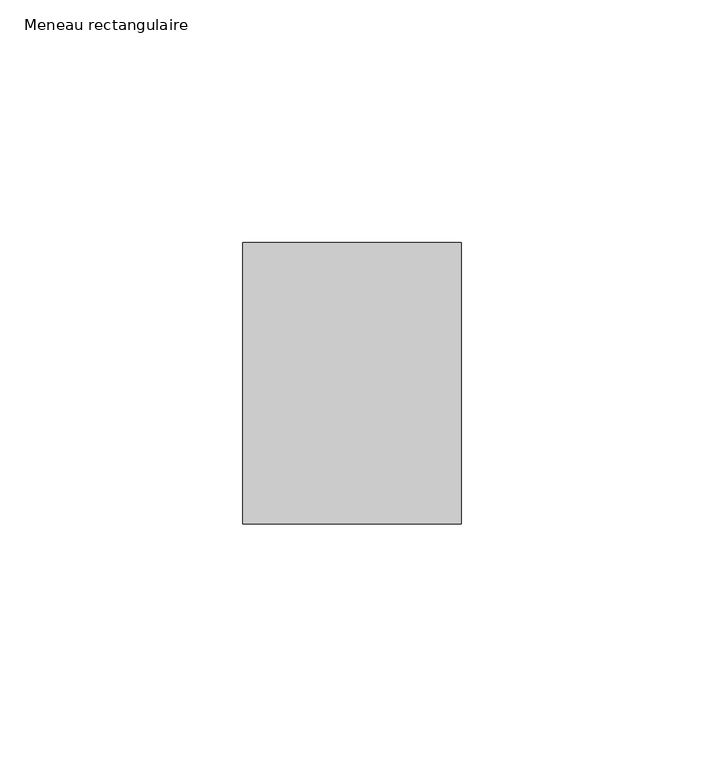
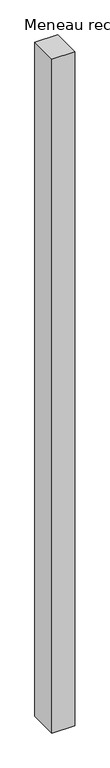
"""IFC4 building model written with IfcOpenShell, lengths in millimetres: member geometry, Meneau rectangulaire."""

from ifc_helpers import new_model, si_unit, frame, origin, place, context, project, spatial, polyline, outline, extrude, source, transform, mapped, element, save


def meneau_rectangulaire_f144ae1f(model_context):
    return source(origin(), model_context, "Body", "SweptSolid", [
        extrude(outline(polyline([(0.0, 29.0), (0.0, -29.0), (-45.0, -29.0), (-45.0, 29.0), (0.0, 29.0)])), frame((0.0, 0.0, -1400.2500002), z_axis=(0.0, 0.0, 1.0), x_axis=(1.0, 0.0, 0.0)), (0.0, 0.0, 1.0), 1400.2500002),
    ])


if __name__ == "__main__":
    model = new_model("IFC4")
    model_context = context("Model", 3, world=origin())
    ifc_project = project(units=[si_unit("LENGTHUNIT", "METRE", prefix="MILLI")], contexts=[model_context])
    site = spatial("IfcSite", under=ifc_project)
    building = spatial("IfcBuilding", under=site)
    placement = place(None, origin())
    meneau_rectangulaire_shape = meneau_rectangulaire_f144ae1f(model_context)
    element("IfcMember", 1, ObjectType="Meneau rectangulaire", at=placement, inside=building, context=model_context, shape_type="MappedRepresentation", body=[
        mapped(meneau_rectangulaire_shape, transform((0.0, 0.0, 0.0), x_axis=(1.0, 0.0, 0.0), y_axis=(0.0, 1.0, 0.0), z_axis=(0.0, 0.0, 1.0))),
    ])
    save(model, "model.ifc")
